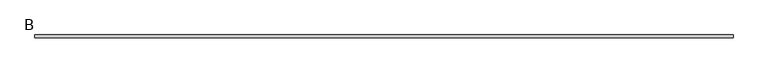
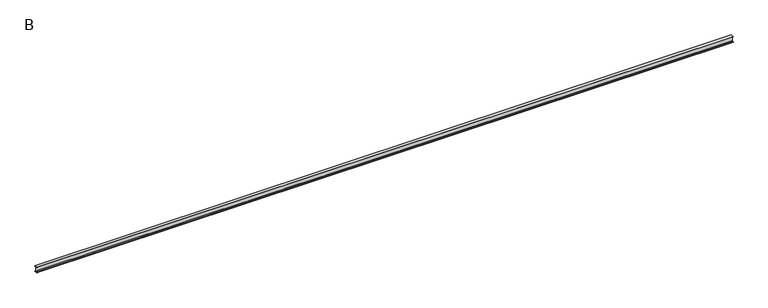
"""IFC4 building model written with IfcOpenShell, lengths in millimetres: beam geometry, B."""

from ifc_helpers import new_model, si_unit, point, frame, frame_2d, origin, place, context, project, spatial, polyline, circle_curve, trimmed, segment, composite_curve, outline, extrude, source, transform, mapped, element, save


def b_ea0f758a(model_context):
    return source(origin(), model_context, "Body", "SweptSolid", [
        extrude(outline(composite_curve([segment(polyline([(25.0, 50.0), (25.0, 48.5034153)]), True, "CONTINUOUS"), segment(trimmed(circle_curve(frame_2d((20.5, 48.5034153)), 4.5), [point((25.0, 48.5034153))], [point((21.126279, 44.047209))], False, "CARTESIAN"), True, "CONTINUOUS"), segment(polyline([(21.126279, 44.047209), (10.0974421, 42.497207)]), True, "CONTINUOUS"), segment(trimmed(circle_curve(frame_2d((11.35, 33.5847944)), 9.0), [point((10.0974421, 42.497207))], [point((2.35, 33.5847944))], True, "CARTESIAN"), True, "CONTINUOUS"), segment(polyline([(2.35, 33.5847944), (2.35, -33.5847944)]), True, "CONTINUOUS"), segment(trimmed(circle_curve(frame_2d((11.35, -33.5847944)), 9.0), [point((2.35, -33.5847944))], [point((10.0974421, -42.497207))], True, "CARTESIAN"), True, "CONTINUOUS"), segment(polyline([(10.0974421, -42.497207), (21.126279, -44.047209)]), True, "CONTINUOUS"), segment(trimmed(circle_curve(frame_2d((20.5, -48.5034153)), 4.5), [point((21.126279, -44.047209))], [point((25.0, -48.5034153))], False, "CARTESIAN"), True, "CONTINUOUS"), segment(polyline([(25.0, -48.5034153), (25.0, -50.0), (-25.0, -50.0), (-25.0, -48.5034153)]), True, "CONTINUOUS"), segment(trimmed(circle_curve(frame_2d((-20.5, -48.5034153)), 4.5), [point((-25.0, -48.5034153))], [point((-21.126279, -44.047209))], False, "CARTESIAN"), True, "CONTINUOUS"), segment(polyline([(-21.126279, -44.047209), (-10.0974421, -42.497207)]), True, "CONTINUOUS"), segment(trimmed(circle_curve(frame_2d((-11.35, -33.5847944)), 9.0), [point((-10.0974421, -42.497207))], [point((-2.35, -33.5847944))], True, "CARTESIAN"), True, "CONTINUOUS"), segment(polyline([(-2.35, -33.5847944), (-2.35, 33.5847944)]), True, "CONTINUOUS"), segment(trimmed(circle_curve(frame_2d((-11.35, 33.5847944)), 9.0), [point((-2.35, 33.5847944))], [point((-10.0974421, 42.497207))], True, "CARTESIAN"), True, "CONTINUOUS"), segment(polyline([(-10.0974421, 42.497207), (-21.126279, 44.047209)]), True, "CONTINUOUS"), segment(trimmed(circle_curve(frame_2d((-20.5, 48.5034153)), 4.5), [point((-21.126279, 44.047209))], [point((-25.0, 48.5034153))], False, "CARTESIAN"), True, "CONTINUOUS"), segment(polyline([(-25.0, 48.5034153), (-25.0, 50.0), (25.0, 50.0)]), True, "CONTINUOUS")], self_intersect=False)), frame((-5729.05, 0.0, 0.0), z_axis=(1.0, 0.0, 0.0), x_axis=(0.0, 1.0, 0.0)), (0.0, 0.0, 1.0), 11518.1),
    ])


if __name__ == "__main__":
    model = new_model("IFC4")
    model_context = context("Model", 3, world=origin())
    ifc_project = project(units=[si_unit("LENGTHUNIT", "METRE", prefix="MILLI")], contexts=[model_context])
    site = spatial("IfcSite", under=ifc_project)
    building = spatial("IfcBuilding", under=site)
    placement = place(None, origin())
    b_shape = b_ea0f758a(model_context)
    element("IfcBeam", 1, ObjectType="B", at=placement, inside=building, context=model_context, shape_type="MappedRepresentation", body=[
        mapped(b_shape, transform((0.0, 0.0, 0.0), x_axis=(1.0, 0.0, 0.0), y_axis=(0.0, 1.0, 0.0), z_axis=(0.0, 0.0, 1.0))),
    ])
    save(model, "model.ifc")
